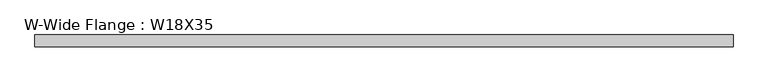
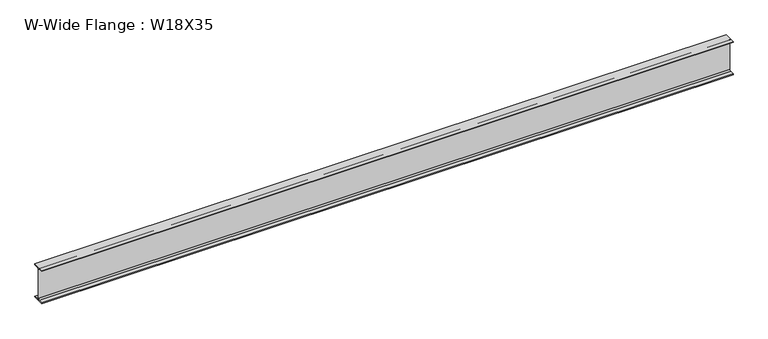
"""IFC4 building model written with IfcOpenShell, lengths in millimetres: beam geometry, W-Wide Flange : W18X35."""

from ifc_helpers import new_model, si_unit, point, frame, frame_2d, origin, place, context, project, spatial, polyline, circle_curve, trimmed, segment, composite_curve, outline, extrude, source, transform, mapped, element, save


def w_wide_flange_w18x35_85c3e671(model_context):
    return source(origin(), model_context, "Body", "SweptSolid", [
        extrude(outline(composite_curve([segment(polyline([(76.2, -213.9652344), (76.2, -224.7800781), (-76.2, -224.7800781), (-76.2, -213.9652344), (-21.5800781, -213.9652344)]), True, "CONTINUOUS"), segment(trimmed(circle_curve(frame_2d((-21.5800781, -196.2050781)), 17.7601562), [point((-21.5800781, -213.9652344))], [point((-3.8199219, -196.2050781))], True, "CARTESIAN"), True, "CONTINUOUS"), segment(polyline([(-3.8199219, -196.2050781), (-3.8199219, 196.2050781)]), True, "CONTINUOUS"), segment(trimmed(circle_curve(frame_2d((-21.5800781, 196.2050781)), 17.7601563), [point((-3.8199219, 196.2050781))], [point((-21.5800781, 213.9652344))], True, "CARTESIAN"), True, "CONTINUOUS"), segment(polyline([(-21.5800781, 213.9652344), (-76.2, 213.9652344), (-76.2, 224.7800781), (76.2, 224.7800781), (76.2, 213.9652344), (21.5800781, 213.9652344)]), True, "CONTINUOUS"), segment(trimmed(circle_curve(frame_2d((21.5800781, 196.2050781)), 17.7601562), [point((21.5800781, 213.9652344))], [point((3.8199219, 196.2050781))], True, "CARTESIAN"), True, "CONTINUOUS"), segment(polyline([(3.8199219, 196.2050781), (3.8199219, -196.2050781)]), True, "CONTINUOUS"), segment(trimmed(circle_curve(frame_2d((21.5800781, -196.2050781)), 17.7601563), [point((3.8199219, -196.2050781))], [point((21.5800781, -213.9652344))], True, "CARTESIAN"), True, "CONTINUOUS"), segment(polyline([(21.5800781, -213.9652344), (76.2, -213.9652344)]), True, "CONTINUOUS")], self_intersect=False)), frame((-4458.4441406, 0.0, 0.0), z_axis=(1.0, 0.0, 0.0), x_axis=(0.0, 1.0, 0.0)), (0.0, 0.0, 1.0), 8914.8542969),
    ])


if __name__ == "__main__":
    model = new_model("IFC4")
    model_context = context("Model", 3, world=origin())
    ifc_project = project(units=[si_unit("LENGTHUNIT", "METRE", prefix="MILLI")], contexts=[model_context])
    site = spatial("IfcSite", under=ifc_project)
    building = spatial("IfcBuilding", under=site)
    placement = place(None, origin())
    w_wide_flange_w18x35_shape = w_wide_flange_w18x35_85c3e671(model_context)
    element("IfcBeam", 1, ObjectType="W-Wide Flange : W18X35", at=placement, inside=building, context=model_context, shape_type="MappedRepresentation", body=[
        mapped(w_wide_flange_w18x35_shape, transform((0.0, 0.0, 0.0), x_axis=(1.0, 0.0, 0.0), y_axis=(0.0, 1.0, 0.0), z_axis=(0.0, 0.0, 1.0))),
    ])
    save(model, "model.ifc")
